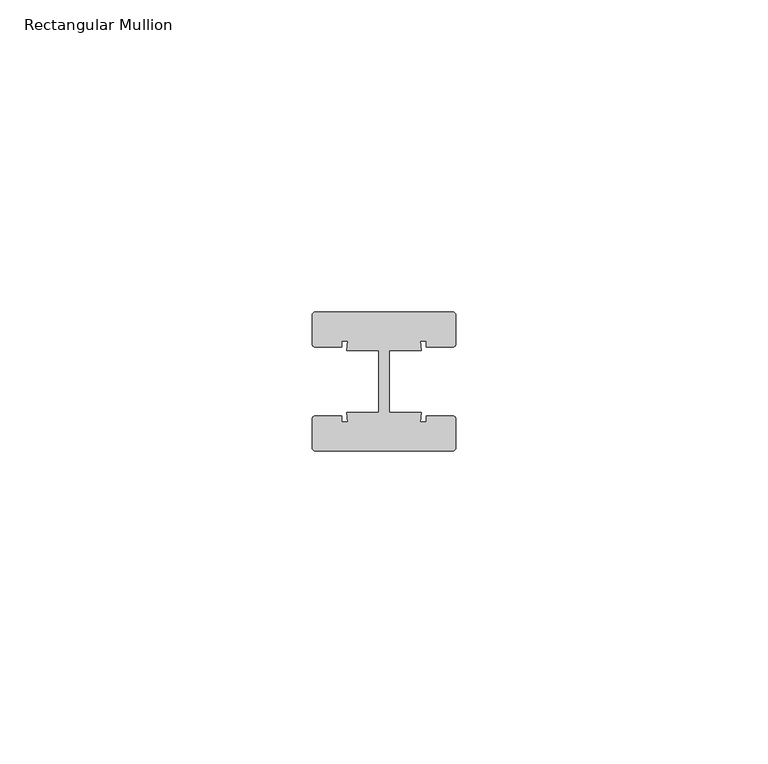
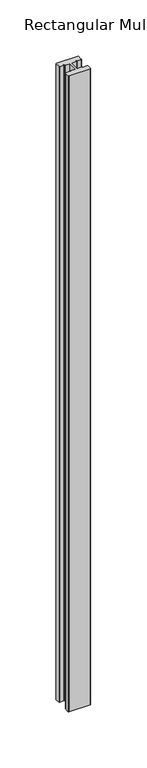
"""IFC4 building model written with IfcOpenShell, lengths in millimetres: member geometry, Rectangular Mullion."""

from ifc_helpers import new_model, si_unit, point, frame, frame_2d, origin, place, context, project, spatial, polyline, circle_curve, trimmed, segment, composite_curve, outline, extrude, source, transform, mapped, element, save


def rectangular_mullion_2cf9cf0e(model_context):
    return source(origin(), model_context, "Body", "SweptSolid", [
        extrude(outline(composite_curve([segment(trimmed(circle_curve(frame_2d((-11.0, 10.64)), 0.5), [point((-11.5, 10.64))], [point((-11.0, 11.14))], False, "CARTESIAN"), True, "CONTINUOUS"), segment(polyline([(-11.0, 11.14), (11.0, 11.14)]), True, "CONTINUOUS"), segment(trimmed(circle_curve(frame_2d((11.0, 10.64)), 0.5), [point((11.0, 11.14))], [point((11.5, 10.64))], False, "CARTESIAN"), True, "CONTINUOUS"), segment(polyline([(11.5, 10.64), (11.5, 6.0)]), True, "CONTINUOUS"), segment(trimmed(circle_curve(frame_2d((11.0, 6.0)), 0.5), [point((11.5, 6.0))], [point((11.0, 5.5))], False, "CARTESIAN"), True, "CONTINUOUS"), segment(polyline([(11.0, 5.5), (6.75, 5.5), (6.75, 6.5), (5.7984177, 6.5), (6.0, 5.0), (0.840625, 5.0), (0.840625, -5.0), (6.0, -5.0), (5.7984177, -6.5), (6.75, -6.5), (6.75, -5.5), (11.0, -5.5)]), True, "CONTINUOUS"), segment(trimmed(circle_curve(frame_2d((11.0, -6.0)), 0.5), [point((11.0, -5.5))], [point((11.5, -6.0))], False, "CARTESIAN"), True, "CONTINUOUS"), segment(polyline([(11.5, -6.0), (11.5, -10.64)]), True, "CONTINUOUS"), segment(trimmed(circle_curve(frame_2d((11.0, -10.64)), 0.5), [point((11.5, -10.64))], [point((11.0, -11.14))], False, "CARTESIAN"), True, "CONTINUOUS"), segment(polyline([(11.0, -11.14), (-11.0, -11.14)]), True, "CONTINUOUS"), segment(trimmed(circle_curve(frame_2d((-11.0, -10.64)), 0.5), [point((-11.0, -11.14))], [point((-11.5, -10.64))], False, "CARTESIAN"), True, "CONTINUOUS"), segment(polyline([(-11.5, -10.64), (-11.5, -6.0)]), True, "CONTINUOUS"), segment(trimmed(circle_curve(frame_2d((-11.0, -6.0)), 0.5), [point((-11.5, -6.0))], [point((-11.0, -5.5))], False, "CARTESIAN"), True, "CONTINUOUS"), segment(polyline([(-11.0, -5.5), (-6.75, -5.5), (-6.75, -6.5), (-5.7984177, -6.5), (-6.0, -5.0), (-0.840625, -5.0), (-0.840625, 5.0), (-6.0, 5.0), (-5.7984177, 6.5), (-6.75, 6.5), (-6.75, 5.5), (-11.0, 5.5)]), True, "CONTINUOUS"), segment(trimmed(circle_curve(frame_2d((-11.0, 6.0)), 0.5), [point((-11.0, 5.5))], [point((-11.5, 6.0))], False, "CARTESIAN"), True, "CONTINUOUS"), segment(polyline([(-11.5, 6.0), (-11.5, 10.64)]), True, "CONTINUOUS")], self_intersect=False)), frame((0.0, 0.0, -690.4078792), z_axis=(0.0, 0.0, 1.0), x_axis=(1.0, 0.0, 0.0)), (0.0, 0.0, 1.0), 690.4078792),
    ])


if __name__ == "__main__":
    model = new_model("IFC4")
    model_context = context("Model", 3, world=origin())
    ifc_project = project(units=[si_unit("LENGTHUNIT", "METRE", prefix="MILLI")], contexts=[model_context])
    site = spatial("IfcSite", under=ifc_project)
    building = spatial("IfcBuilding", under=site)
    placement = place(None, origin())
    rectangular_mullion_shape = rectangular_mullion_2cf9cf0e(model_context)
    element("IfcMember", 1, ObjectType="Rectangular Mullion", at=placement, inside=building, context=model_context, shape_type="MappedRepresentation", body=[
        mapped(rectangular_mullion_shape, transform((0.0, 0.0, 0.0), x_axis=(1.0, 0.0, 0.0), y_axis=(0.0, 1.0, 0.0), z_axis=(0.0, 0.0, 1.0))),
    ])
    save(model, "model.ifc")
